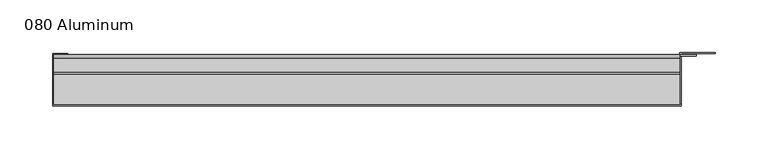
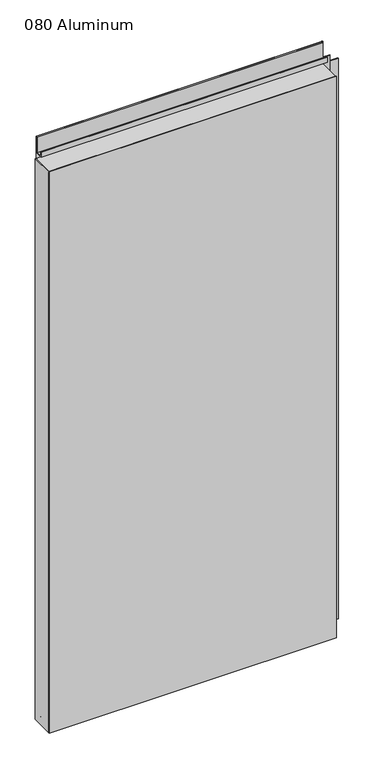
"""IFC4 building model written with IfcOpenShell, lengths in millimetres: plate geometry, 080 Aluminum."""

from ifc_helpers import new_model, si_unit, point, frame, frame_2d, origin, origin_with_axes, place, context, project, spatial, polyline, circle_curve, trimmed, segment, composite_curve, outline, extrude, source, transform, mapped, element, save


def plate_080_aluminum_fa1b4d80(model_context):
    return source(origin(), model_context, "Body", "SweptSolid", [
        extrude(outline(polyline([(-303.53, -2.5660257), (-303.53, -49.5300001), (-304.7999999, -49.5300001), (-304.7999999, -1.2699999), (-290.6394994, -1.2699999), (-290.6394994, -2.5660257), (-303.53, -2.5660257)])), origin_with_axes(), (0.0, 0.0, 1.0), 1230.63),
        extrude(outline(composite_curve([segment(polyline([(-16.6765477, 13.1458337), (-16.6765477, 2.786437), (-17.9464915, 2.786437), (-17.9464915, 13.1323356)]), True, "CONTINUOUS"), segment(trimmed(circle_curve(frame_2d((-19.8514743, 13.124237)), 1.905), [point((-17.9464915, 13.1323356))], [point((-21.7564743, 13.124237))], True, "CARTESIAN"), True, "CONTINUOUS"), segment(polyline([(-21.7564743, 13.124237), (-21.7564743, 0.0), (-49.5300002, 0.0), (-49.5300002, 1.2693678), (-23.0264743, 1.2693678), (-23.0264743, 13.124237)]), True, "CONTINUOUS"), segment(trimmed(circle_curve(frame_2d((-19.8514743, 13.124237)), 3.175), [point((-23.0264743, 13.124237))], [point((-16.6765477, 13.1458337))], False, "CARTESIAN"), True, "CONTINUOUS")], self_intersect=False)), frame((-303.53, 0.0, 0.0), z_axis=(1.0, 0.0, 0.0), x_axis=(0.0, 1.0, 0.0)), (0.0, 0.0, 1.0), 594.36),
        extrude(outline(composite_curve([segment(polyline([(-2.0574743, 1279.0932001), (-2.0574743, 1230.63), (-49.5300002, 1230.63), (-49.5300002, 1231.9000001), (-3.3274743, 1231.9000001), (-3.3274743, 1279.0932001)]), True, "CONTINUOUS"), segment(trimmed(circle_curve(frame_2d((-3.7084742, 1279.0932001)), 0.3809999), [point((-3.3274743, 1279.0932001))], [point((-4.0894742, 1279.0932001))], True, "CARTESIAN"), True, "CONTINUOUS"), segment(polyline([(-4.0894742, 1279.0932001), (-4.0894742, 1244.6), (-20.4864742, 1244.6), (-20.4864742, 1255.9538), (-19.2164743, 1255.9538), (-19.2164743, 1245.87), (-5.3594742, 1245.87), (-5.3594742, 1279.0932001)]), True, "CONTINUOUS"), segment(trimmed(circle_curve(frame_2d((-3.7084742, 1279.0932001)), 1.6509999), [point((-5.3594742, 1279.0932001))], [point((-2.0574743, 1279.0932001))], False, "CARTESIAN"), True, "CONTINUOUS")], self_intersect=False)), frame((-303.53, 0.0, 0.0), z_axis=(1.0, 0.0, 0.0), x_axis=(0.0, 1.0, 0.0)), (0.0, 0.0, 1.0), 594.36),
        extrude(outline(polyline([(-304.8, -50.8), (-304.8, -49.5300001), (292.1, -49.5300001), (292.1, -50.8), (-304.8, -50.8)])), origin_with_axes(), (0.0, 0.0, 1.0), 1231.9),
        extrude(outline(polyline([(292.1, -1.2699999), (292.1, -49.5300002), (290.8300001, -49.5300002), (290.8300001, 0.0), (324.6120856, 0.0), (324.6120856, -1.2699999), (292.1, -1.2699999)])), origin_with_axes(), (0.0, 0.0, 1.0), 1230.63),
        extrude(outline(polyline([(290.83, -3.3274743), (290.83, -2.0574743), (306.5779999, -2.0574743), (306.5779999, -3.3274743), (290.83, -3.3274743)])), origin_with_axes(), (0.0, 0.0, 1.0), 1244.6),
    ])


if __name__ == "__main__":
    model = new_model("IFC4")
    model_context = context("Model", 3, world=origin())
    ifc_project = project(units=[si_unit("LENGTHUNIT", "METRE", prefix="MILLI")], contexts=[model_context])
    site = spatial("IfcSite", under=ifc_project)
    building = spatial("IfcBuilding", under=site)
    placement = place(None, origin())
    plate_080_aluminum_shape = plate_080_aluminum_fa1b4d80(model_context)
    element("IfcPlate", 1, ObjectType="080 Aluminum", at=placement, inside=building, context=model_context, shape_type="MappedRepresentation", body=[
        mapped(plate_080_aluminum_shape, transform((0.0, 0.0, 0.0), x_axis=(1.0, 0.0, 0.0), y_axis=(0.0, 1.0, 0.0), z_axis=(0.0, 0.0, 1.0))),
    ])
    save(model, "model.ifc")
